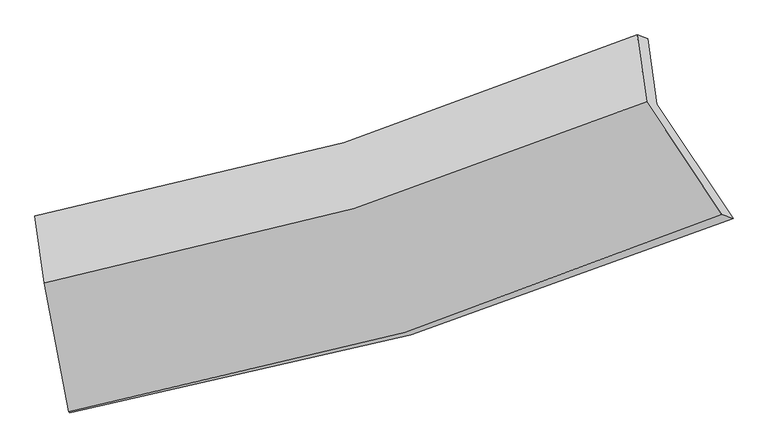
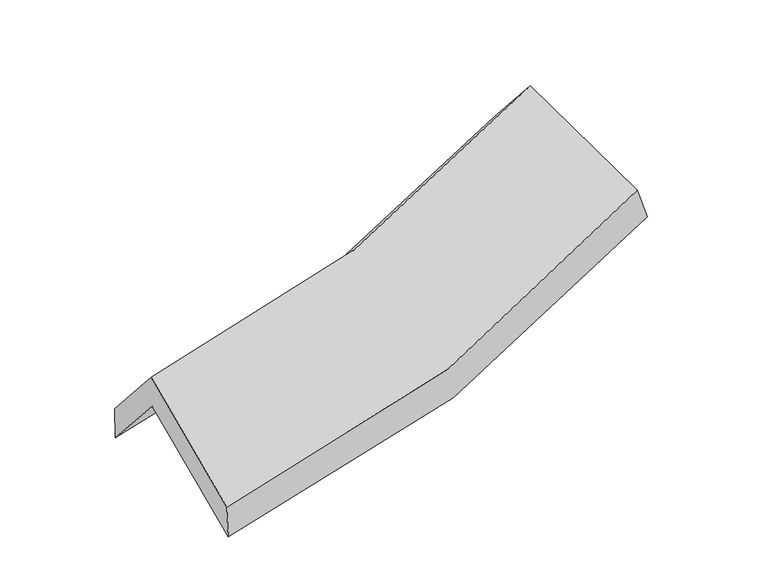
"""IFC4 building model written with IfcOpenShell, lengths in millimetres: proxy geometry."""

from ifc_helpers import new_model, si_unit, frame, origin, place, context, project, spatial, source, transform, mapped, element, save
from ifc_brep_helpers import plane_surface, spline_curve, spline_surface, advanced_brep


def generic_models_b2baf8d6(model_context):
    return source(origin(), model_context, "Body", "AdvancedBrep", [
        advanced_brep(
        [(-1139.3487903, -2403.7750442, 1561.1809036), (-1234.1032456, -1904.6741144, 1987.2843253), (1113.9668651, -1216.7546502, 2323.1108493), (1407.2386316, -1655.8417006, 1923.7465578), (-1270.4797653, -1645.4674002, 1675.5826524), (1078.6410035, -965.0345685, 2020.4120136), (-1274.1084324, -1646.3434486, 1832.4414703), (1038.6228879, -950.6359614, 2155.2136367), (-1237.9274854, -1904.1565783, 2142.4673277), (1074.6934948, -1207.6628451, 2464.2940163), (-1143.798472, -2399.9631126, 1719.1764698), (1364.5186994, -1641.5896962, 2069.6230978)],
        [
            (0, 1),
            (1, 2, spline_curve(3, [(-1234.1032456, -1904.6741144, 1987.2843253), (-821.430790168, -1836.363070092, 1994.356855594), (-419.046009817, -1744.717423024, 2025.985128935), (363.560901949, -1515.222389757, 2138.125715702), (743.866158516, -1377.561548722, 2218.439617062), (1113.9668651, -1216.7546502, 2323.1108493)], [4, 2, 4], [0.0, 0.5010141099218679, 1.0])),
            (2, 3),
            (3, 0, spline_curve(3, [(1407.2386316, -1655.8417006, 1923.7465578), (1005.828767661, -1830.681311803, 1811.059792166), (593.361110289, -1980.353630111, 1724.510764288), (-255.411288111, -2229.869754644, 1603.442631122), (-691.80610473, -2329.508550831, 1569.136440918), (-1139.3487903, -2403.7750442, 1561.1809036)], [4, 2, 4], [0.0, 0.4989858900781321, 1.0])),
            (1, 4),
            (4, 5, spline_curve(3, [(-1270.4797653, -1645.4674002, 1675.5826524), (-858.159593848, -1574.646100013, 1679.636545778), (-455.862687845, -1482.374290062, 1710.511844664), (327.096579722, -1255.390024529, 1825.671683864), (707.839930017, -1120.850890613, 1909.73950544), (1078.6410035, -965.0345685, 2020.4120136)], [4, 2, 4], [0.0, 0.5010141099218679, 1.0])),
            (5, 2),
            (4, 6),
            (6, 7, spline_curve(3, [(-1274.1084324, -1646.3434486, 1832.4414703), (-868.082774514, -1575.444965887, 1843.452332796), (-471.971509437, -1481.856586395, 1875.953497755), (298.858821663, -1249.770754695, 1983.717863021), (673.6579967, -1111.456638486, 2058.807420208), (1038.6228879, -950.6359614, 2155.2136367)], [4, 2, 4], [0.0, 0.5010141099218679, 1.0])),
            (7, 5),
            (6, 8),
            (8, 9, spline_curve(3, [(-1237.9274854, -1904.1565783, 2142.4673277), (-832.366984746, -1829.943543287, 2149.492369456), (-436.497058888, -1734.635462356, 2179.925556429), (334.298300645, -1502.300435156, 2287.390258729), (709.302034867, -1365.443938393, 2364.232634637), (1074.6934948, -1207.6628451, 2464.2940163)], [4, 2, 4], [0.0, 0.5010141099218679, 1.0])),
            (9, 7),
            (8, 10),
            (10, 11, spline_curve(3, [(-1143.798472, -2399.9631126, 1719.1764698), (-702.355813199, -2322.600520105, 1724.633083695), (-272.206961285, -2220.543275302, 1756.678326713), (563.807507749, -1967.552602002, 1873.708707347), (969.76437967, -1816.818707974, 1958.479007024), (1364.5186994, -1641.5896962, 2069.6230978)], [4, 2, 4], [0.0, 0.5010141099218679, 1.0])),
            (11, 9),
            (10, 0),
            (3, 11),
        ],
        [
            spline_surface(3, 3, [[(-1139.3487903, -2403.7750442, 1561.1809036), (-691.806104722, -2329.508550837, 1569.136440912), (-255.411288112, -2229.869754641, 1603.442631117), (593.361110291, -1980.353630114, 1724.510764292), (1005.828767657, -1830.681311807, 1811.059792166), (1407.2386316, -1655.8417006, 1923.7465578)], [(-1170.933608741, -2237.408067584, 1703.215377503), (-735.014333211, -2165.126723904, 1710.87657914), (-309.956195359, -2068.152310751, 1744.290130389), (516.76104083, -1825.30988331, 1862.382414761), (918.507897929, -1679.64139079, 1946.853067121), (1309.481376089, -1509.479350479, 2056.86798829)], [(-1202.518427159, -2071.041091016, 1845.249851397), (-778.222561678, -2000.744897019, 1852.616717361), (-364.501102567, -1906.434866916, 1885.137629664), (440.160971406, -1670.266136559, 2000.254065232), (831.187028235, -1528.601469736, 2082.646342105), (1211.724120611, -1363.117000321, 2189.98941881)], [(-1234.1032456, -1904.6741144, 1987.2843253), (-821.430790167, -1836.363070086, 1994.356855589), (-419.046009814, -1744.717423027, 2025.985128936), (363.560901945, -1515.222389754, 2138.125715701), (743.866158508, -1377.561548719, 2218.43961706), (1113.9668651, -1216.7546502, 2323.1108493)]], [4, 4], [4, 2, 4], [0.0, 1.0], [0.0, 0.5010141099218679, 1.0]),
            spline_surface(3, 3, [[(-1234.1032456, -1904.6741144, 1987.2843253), (-821.430790167, -1836.363070086, 1994.356855589), (-419.046009814, -1744.717423027, 2025.985128936), (363.560901945, -1515.222389754, 2138.125715701), (743.866158508, -1377.561548719, 2218.43961706), (1113.9668651, -1216.7546502, 2323.1108493)], [(-1246.22875216, -1818.271876345, 1883.383767669), (-833.67372472, -1749.124080074, 1889.450085656), (-431.318235824, -1657.269712048, 1920.827367531), (351.406127873, -1428.611601354, 2033.974371776), (731.85741568, -1291.991329333, 2115.53957985), (1102.191577903, -1132.847956281, 2222.211237399)], [(-1258.35425874, -1731.869638255, 1779.483210031), (-845.916659291, -1661.885090027, 1784.543315715), (-443.590461837, -1569.822001042, 1815.669606067), (339.251353796, -1342.000812928, 1929.823027792), (719.848672844, -1206.421110004, 2012.639542644), (1090.416290697, -1048.941262419, 2121.311625501)], [(-1270.4797653, -1645.4674002, 1675.5826524), (-858.159593844, -1574.646100016, 1679.636545782), (-455.862687847, -1482.374290063, 1710.511844662), (327.096579724, -1255.390024529, 1825.671683867), (707.839930016, -1120.850890617, 1909.739505434), (1078.6410035, -965.0345685, 2020.4120136)]], [4, 4], [4, 2, 4], [0.0, 1.0], [0.0, 0.5010141099218679, 1.0]),
            spline_surface(3, 3, [[(-1270.4797653, -1645.4674002, 1675.5826524), (-858.159593844, -1574.646100016, 1679.636545782), (-455.862687847, -1482.374290063, 1710.511844662), (327.096579724, -1255.390024529, 1825.671683867), (707.839930016, -1120.850890617, 1909.739505434), (1078.6410035, -965.0345685, 2020.4120136)], [(-1271.689320993, -1645.759416334, 1727.868925008), (-861.467320726, -1574.912388642, 1734.241808096), (-461.232295041, -1482.201722164, 1765.659062363), (317.68399371, -1253.516934577, 1878.353743592), (696.445952262, -1117.71947325, 1959.428810357), (1065.301631648, -960.235032811, 2065.345887963)], [(-1272.898876707, -1646.051432466, 1780.155197692), (-864.775047628, -1575.178677267, 1788.847070486), (-466.601902248, -1482.029154289, 1820.806280048), (308.271407682, -1251.643844651, 1931.035803301), (685.051974462, -1114.588055849, 2009.118115291), (1051.962259752, -955.435497089, 2110.279762337)], [(-1274.1084324, -1646.3434486, 1832.4414703), (-868.08277451, -1575.444965892, 1843.452332799), (-471.971509442, -1481.85658639, 1875.95349775), (298.858821668, -1249.770754699, 1983.717863026), (673.657996707, -1111.456638482, 2058.807420213), (1038.6228879, -950.6359614, 2155.2136367)]], [4, 4], [4, 2, 4], [0.0, 1.0], [0.0, 0.5010141099218679, 1.0]),
            spline_surface(3, 3, [[(-1274.1084324, -1646.3434486, 1832.4414703), (-868.08277451, -1575.444965892, 1843.452332799), (-471.971509442, -1481.85658639, 1875.95349775), (298.858821668, -1249.770754699, 1983.717863026), (673.657996707, -1111.456638482, 2058.807420213), (1038.6228879, -950.6359614, 2155.2136367)], [(-1262.048116735, -1732.281158493, 1935.783422782), (-856.177511255, -1660.277825016, 1945.465678365), (-460.146692601, -1566.116211719, 1977.277517294), (310.671981321, -1333.947314861, 2084.941994913), (685.539342762, -1196.11907177, 2160.615825029), (1050.646423533, -1036.311589286, 2258.240429907)], [(-1249.987801065, -1818.218868407, 2039.125375218), (-844.272247995, -1745.11068416, 2047.479023885), (-448.321875735, -1650.375837023, 2078.601536882), (322.485140997, -1418.123874999, 2186.166126844), (697.420688819, -1280.781505099, 2262.424229825), (1062.669959167, -1121.987217214, 2361.267223093)], [(-1237.9274854, -1904.1565783, 2142.4673277), (-832.366984741, -1829.943543284, 2149.492369451), (-436.497058893, -1734.635462352, 2179.925556427), (334.29830065, -1502.300435161, 2287.390258731), (709.302034874, -1365.443938387, 2364.232634642), (1074.6934948, -1207.6628451, 2464.2940163)]], [4, 4], [4, 2, 4], [0.0, 1.0], [0.0, 0.5010141099218679, 1.0]),
            spline_surface(3, 3, [[(-1237.9274854, -1904.1565783, 2142.4673277), (-832.366984741, -1829.943543284, 2149.492369451), (-436.497058893, -1734.635462352, 2179.925556427), (334.29830065, -1502.300435161, 2287.390258731), (709.302034874, -1365.443938387, 2364.232634642), (1074.6934948, -1207.6628451, 2464.2940163)], [(-1206.551147609, -2069.425423057, 2001.370375077), (-789.029927567, -1994.162535548, 2007.872607542), (-381.733693012, -1896.604733345, 2038.843146511), (410.801369699, -1657.384490786, 2149.496408255), (796.122816458, -1515.90219494, 2228.981425436), (1171.30189632, -1352.305128826, 2332.737043465)], [(-1175.174809791, -2234.694267843, 1860.273422423), (-745.692870365, -2158.38152784, 1866.252845602), (-326.970327172, -2058.574004305, 1897.760736634), (487.304438706, -1812.46854638, 2011.602557818), (882.943598083, -1666.360451415, 2093.730216234), (1267.91029788, -1496.947412474, 2201.180070635)], [(-1143.798472, -2399.9631126, 1719.1764698), (-702.355813191, -2322.600520104, 1724.633083694), (-272.206961291, -2220.543275298, 1756.678326718), (563.807507755, -1967.552602006, 1873.708707342), (969.764379668, -1816.818707968, 1958.479007028), (1364.5186994, -1641.5896962, 2069.6230978)]], [4, 4], [4, 2, 4], [0.0, 1.0], [0.0, 0.5010141099218679, 1.0]),
            spline_surface(3, 3, [[(-1143.798472, -2399.9631126, 1719.1764698), (-702.355813191, -2322.600520104, 1724.633083694), (-272.206961291, -2220.543275298, 1756.678326718), (563.807507755, -1967.552602006, 1873.708707342), (969.764379668, -1816.818707968, 1958.479007028), (1364.5186994, -1641.5896962, 2069.6230978)], [(-1142.315244762, -2401.233756487, 1666.511281061), (-698.839243696, -2324.903197035, 1672.800869427), (-266.608403564, -2223.652101744, 1705.599761521), (573.658708601, -1971.819611374, 1823.976059662), (981.785842338, -1821.439575898, 1909.339268751), (1378.758676807, -1646.340364317, 2020.997584477)], [(-1140.832017538, -2402.504400313, 1613.846092339), (-695.322674216, -2327.205873906, 1620.968655178), (-261.009845839, -2226.760928195, 1654.521196314), (583.509909445, -1976.086620746, 1774.243411972), (993.807304986, -1826.060443877, 1860.199530444), (1392.998654193, -1651.091032483, 1972.372071123)], [(-1139.3487903, -2403.7750442, 1561.1809036), (-691.806104722, -2329.508550837, 1569.136440912), (-255.411288112, -2229.869754641, 1603.442631117), (593.361110291, -1980.353630114, 1724.510764292), (1005.828767657, -1830.681311807, 1811.059792166), (1407.2386316, -1655.8417006, 1923.7465578)]], [4, 4], [4, 2, 4], [0.0, 1.0], [0.0, 0.5010141099218679, 1.0]),
            plane_surface(frame((1179.613597, -1272.9199037, 2159.4000286), z_axis=(0.8920650088554061, 0.3931493901249993, 0.22283082600965606), x_axis=(0.4429816197886797, -0.6632329292991682, -0.6032324311761117))),
            plane_surface(frame((-1216.6276985, -1984.0632831, 1819.6888582), z_axis=(-0.9856930124663109, -0.1668711082021098, -0.02373433004086813), x_axis=(-0.02814398657636737, 0.024110253351242037, 0.9993130699149932))),
        ],
        [
            (0, [[1, 2, 3, 4]]),
            (1, [[5, 6, 7, -2]]),
            (2, [[8, 9, 10, -6]]),
            (3, [[11, 12, 13, -9]]),
            (4, [[14, 15, 16, -12]]),
            (5, [[17, -4, 18, -15]]),
            (6, [[-16, -18, -3, -7, -10, -13]]),
            (7, [[-17, -14, -11, -8, -5, -1]]),
        ],
    ),
    ])


if __name__ == "__main__":
    model = new_model("IFC4")
    model_context = context("Model", 3, world=origin())
    ifc_project = project(units=[si_unit("LENGTHUNIT", "METRE", prefix="MILLI")], contexts=[model_context])
    site = spatial("IfcSite", under=ifc_project)
    building = spatial("IfcBuilding", under=site)
    placement = place(None, origin())
    generic_models_shape = generic_models_b2baf8d6(model_context)
    element("IfcBuildingElementProxy", 1, Name="Generic Models", at=placement, inside=building, context=model_context, shape_type="MappedRepresentation", body=[
        mapped(generic_models_shape, transform((0.0, 0.0, 0.0), x_axis=(1.0, 0.0, 0.0), y_axis=(0.0, 1.0, 0.0), z_axis=(0.0, 0.0, 1.0))),
    ])
    save(model, "model.ifc")
